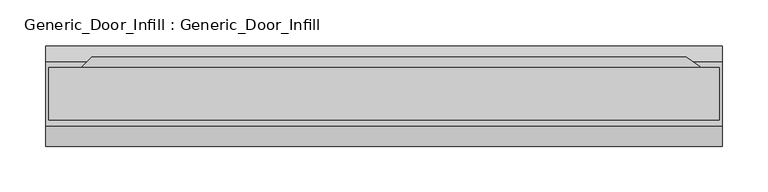
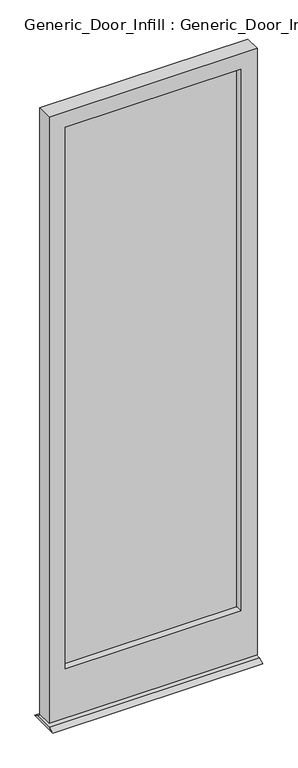
"""IFC4 building model written with IfcOpenShell, lengths in millimetres: plate geometry, Generic_Door_Infill : Generic_Door_Infill."""

from ifc_helpers import new_model, si_unit, frame, origin, place, context, project, spatial, polyline, outline, extrude, source, transform, mapped, element, save


def generic_door_infill_generic_door_infill_762896cf(model_context):
    return source(origin(), model_context, "Body", "SweptSolid", [
        extrude(outline(polyline([(-318.5894878, 35.8230014), (329.0567123, 35.8230014), (354.7069821, 17.8624892), (-336.55, 17.8624892), (-318.5894878, 35.8230014)])), frame((0.0, 0.0, 1090.3849987), z_axis=(0.0, 0.0, 1.0), x_axis=(1.0, 0.0, 0.0)), (0.0, 0.0, 1.0), 78.0150013),
        extrude(outline(polyline([(-307.975, -7.5375108), (-307.975, -1.1875108), (307.975, -1.1875108), (307.975, -7.5375108), (-307.975, -7.5375108)])), frame((0.0, 0.0, 200.025), z_axis=(0.0, 0.0, 1.0), x_axis=(1.0, 0.0, 0.0)), (0.0, 0.0, 1.0), 2009.775),
        extrude(outline(polyline([(2266.95, 365.125), (2266.95, -365.125), (17.4625, -365.125), (17.4625, 365.125), (2266.95, 365.125)]), holes=[polyline([(2209.8, 307.975), (200.025, 307.975), (200.025, -307.975), (2209.8, -307.975), (2209.8, 307.975)])]), frame((0.0, -32.9375108, 0.0), z_axis=(0.0, 1.0, 0.0), x_axis=(0.0, 0.0, 1.0)), (0.0, 0.0, 1.0), 57.15),
        extrude(outline(polyline([(30.5624892, 8.0508779), (47.8276525, 0.0), (-61.407116, 0.0), (-39.2875108, 8.0508779), (30.5624892, 8.0508779)])), frame((-368.3, 0.0, 0.0), z_axis=(1.0, 0.0, 0.0), x_axis=(0.0, 1.0, 0.0)), (0.0, 0.0, 1.0), 736.6),
    ])


if __name__ == "__main__":
    model = new_model("IFC4")
    model_context = context("Model", 3, world=origin())
    ifc_project = project(units=[si_unit("LENGTHUNIT", "METRE", prefix="MILLI")], contexts=[model_context])
    site = spatial("IfcSite", under=ifc_project)
    building = spatial("IfcBuilding", under=site)
    placement = place(None, origin())
    generic_door_infill_generic_door_infill_shape = generic_door_infill_generic_door_infill_762896cf(model_context)
    element("IfcPlate", 1, ObjectType="Generic_Door_Infill : Generic_Door_Infill", at=placement, inside=building, context=model_context, shape_type="MappedRepresentation", body=[
        mapped(generic_door_infill_generic_door_infill_shape, transform((0.0, 0.0, 0.0), x_axis=(1.0, 0.0, 0.0), y_axis=(0.0, 1.0, 0.0), z_axis=(0.0, 0.0, 1.0))),
    ])
    save(model, "model.ifc")
